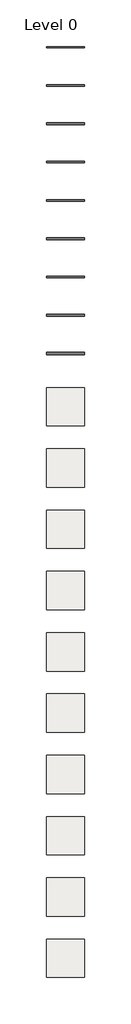
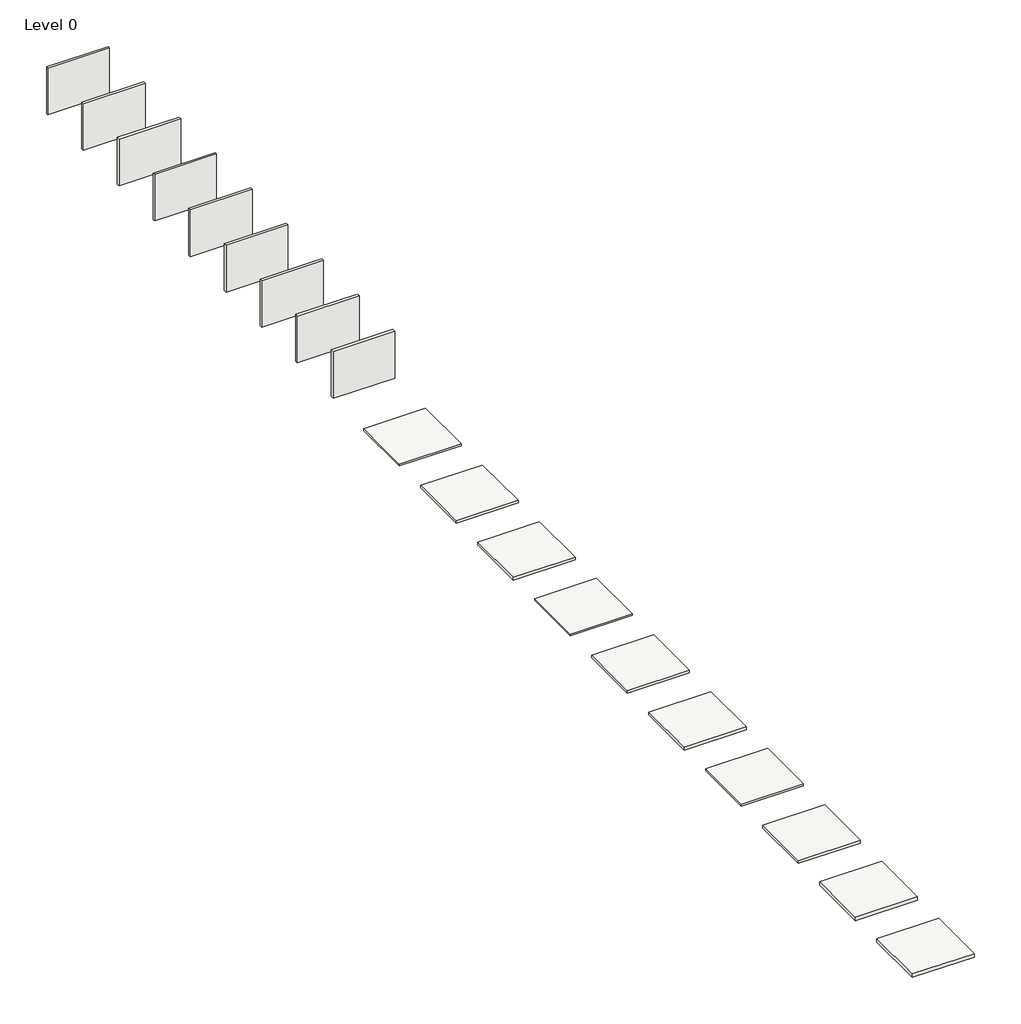
# One storey: 19 coverings.
"""IFC4 building model written with IfcOpenShell, lengths in millimetres."""

from ifc_helpers import new_model, si_unit, frame, origin, origin_with_axes, place, context, project, spatial, polyline, outline, extrude, element, save

model = new_model("IFC4")

# Units and contexts
model_context = context("Model", 3, world=origin())
ifc_project = project(units=[si_unit("LENGTHUNIT", "METRE", prefix="MILLI")], contexts=[model_context])

# Site, building, storey
site = spatial("IfcSite", under=ifc_project)
building = spatial("IfcBuilding", under=site)
storey = spatial("IfcBuildingStorey", under=building, Name="Level 0", Elevation=0.0)

# Coverings
placement = place(None, origin())
element("IfcCovering", 1, at=placement, inside=storey, context=model_context, shape_type="SweptSolid", body=[
    extrude(outline(polyline([(-976.0, -1486.5), (1524.0, -1486.5), (1524.0, -1561.5), (-976.0, -1561.5), (-976.0, -1486.5)])), origin_with_axes(), (0.0, 0.0, 1.0), 2000.0),
])
element("IfcCovering", 2, at=placement, inside=storey, context=model_context, shape_type="SweptSolid", body=[
    extrude(outline(polyline([(-976.0, -3974.0), (1524.0, -3974.0), (1524.0, -4074.0), (-976.0, -4074.0), (-976.0, -3974.0)])), origin_with_axes(), (0.0, 0.0, 1.0), 2000.0),
])
element("IfcCovering", 3, at=placement, inside=storey, context=model_context, shape_type="SweptSolid", body=[
    extrude(outline(polyline([(-976.0, -6464.0), (1524.0, -6464.0), (1524.0, -6584.0), (-976.0, -6584.0), (-976.0, -6464.0)])), origin_with_axes(), (0.0, 0.0, 1.0), 2000.0),
])
element("IfcCovering", 4, at=placement, inside=storey, context=model_context, shape_type="SweptSolid", body=[
    extrude(outline(polyline([(-976.0, -8986.5), (1524.0, -8986.5), (1524.0, -9061.5), (-976.0, -9061.5), (-976.0, -8986.5)])), origin_with_axes(), (0.0, 0.0, 1.0), 2000.0),
])
element("IfcCovering", 5, at=placement, inside=storey, context=model_context, shape_type="SweptSolid", body=[
    extrude(outline(polyline([(-976.0, -11474.0), (1524.0, -11474.0), (1524.0, -11574.0), (-976.0, -11574.0), (-976.0, -11474.0)])), origin_with_axes(), (0.0, 0.0, 1.0), 2000.0),
])
element("IfcCovering", 6, at=placement, inside=storey, context=model_context, shape_type="SweptSolid", body=[
    extrude(outline(polyline([(-976.0, -13964.0), (1524.0, -13964.0), (1524.0, -14084.0), (-976.0, -14084.0), (-976.0, -13964.0)])), origin_with_axes(), (0.0, 0.0, 1.0), 2000.0),
])
element("IfcCovering", 7, at=placement, inside=storey, context=model_context, shape_type="SweptSolid", body=[
    extrude(outline(polyline([(-976.0, -16479.0), (1524.0, -16479.0), (1524.0, -16569.0), (-976.0, -16569.0), (-976.0, -16479.0)])), origin_with_axes(), (0.0, 0.0, 1.0), 2000.0),
])
element("IfcCovering", 8, at=placement, inside=storey, context=model_context, shape_type="SweptSolid", body=[
    extrude(outline(polyline([(-976.0, -18964.0), (1524.0, -18964.0), (1524.0, -19084.0), (-976.0, -19084.0), (-976.0, -18964.0)])), origin_with_axes(), (0.0, 0.0, 1.0), 2000.0),
])
element("IfcCovering", 9, at=placement, inside=storey, context=model_context, shape_type="SweptSolid", body=[
    extrude(outline(polyline([(-976.0, -21449.0), (1524.0, -21449.0), (1524.0, -21599.0), (-976.0, -21599.0), (-976.0, -21449.0)])), origin_with_axes(), (0.0, 0.0, 1.0), 2000.0),
])
element("IfcCovering", 10, at=placement, inside=storey, context=model_context, shape_type="SweptSolid", body=[
    extrude(outline(polyline([(-976.0, -26242.6978699), (-976.0, -23742.6978699), (1524.0, -23742.6978699), (1524.0, -26242.6978699), (-976.0, -26242.6978699)])), frame((0.0, 0.0, -75.0), z_axis=(0.0, 0.0, 1.0), x_axis=(1.0, 0.0, 0.0)), (0.0, 0.0, 1.0), 75.0),
])
element("IfcCovering", 11, at=placement, inside=storey, context=model_context, shape_type="SweptSolid", body=[
    extrude(outline(polyline([(-976.0, -30242.6978699), (-976.0, -27742.6978699), (1524.0, -27742.6978699), (1524.0, -30242.6978699), (-976.0, -30242.6978699)])), frame((0.0, 0.0, -100.0), z_axis=(0.0, 0.0, 1.0), x_axis=(1.0, 0.0, 0.0)), (0.0, 0.0, 1.0), 100.0),
])
element("IfcCovering", 12, at=placement, inside=storey, context=model_context, shape_type="SweptSolid", body=[
    extrude(outline(polyline([(-976.0, -34242.6978699), (-976.0, -31742.6978699), (1524.0, -31742.6978699), (1524.0, -34242.6978699), (-976.0, -34242.6978699)])), frame((0.0, 0.0, -120.0), z_axis=(0.0, 0.0, 1.0), x_axis=(1.0, 0.0, 0.0)), (0.0, 0.0, 1.0), 120.0),
])
element("IfcCovering", 13, at=placement, inside=storey, context=model_context, shape_type="SweptSolid", body=[
    extrude(outline(polyline([(-976.0, -38242.6978699), (-976.0, -35742.6978699), (1524.0, -35742.6978699), (1524.0, -38242.6978699), (-976.0, -38242.6978699)])), frame((0.0, 0.0, -75.0), z_axis=(0.0, 0.0, 1.0), x_axis=(1.0, 0.0, 0.0)), (0.0, 0.0, 1.0), 75.0),
])
element("IfcCovering", 14, at=placement, inside=storey, context=model_context, shape_type="SweptSolid", body=[
    extrude(outline(polyline([(-976.0, -42242.6978699), (-976.0, -39742.6978699), (1524.0, -39742.6978699), (1524.0, -42242.6978699), (-976.0, -42242.6978699)])), frame((0.0, 0.0, -100.0), z_axis=(0.0, 0.0, 1.0), x_axis=(1.0, 0.0, 0.0)), (0.0, 0.0, 1.0), 100.0),
])
element("IfcCovering", 15, at=placement, inside=storey, context=model_context, shape_type="SweptSolid", body=[
    extrude(outline(polyline([(-976.0, -46242.6978699), (-976.0, -43742.6978699), (1524.0, -43742.6978699), (1524.0, -46242.6978699), (-976.0, -46242.6978699)])), frame((0.0, 0.0, -120.0), z_axis=(0.0, 0.0, 1.0), x_axis=(1.0, 0.0, 0.0)), (0.0, 0.0, 1.0), 120.0),
])
element("IfcCovering", 16, at=placement, inside=storey, context=model_context, shape_type="SweptSolid", body=[
    extrude(outline(polyline([(-976.0, -50242.6978699), (-976.0, -47742.6978699), (1524.0, -47742.6978699), (1524.0, -50242.6978699), (-976.0, -50242.6978699)])), frame((0.0, 0.0, -90.0), z_axis=(0.0, 0.0, 1.0), x_axis=(1.0, 0.0, 0.0)), (0.0, 0.0, 1.0), 90.0),
])
element("IfcCovering", 17, at=placement, inside=storey, context=model_context, shape_type="SweptSolid", body=[
    extrude(outline(polyline([(-976.0, -54242.6978699), (-976.0, -51742.6978699), (1524.0, -51742.6978699), (1524.0, -54242.6978699), (-976.0, -54242.6978699)])), frame((0.0, 0.0, -120.0), z_axis=(0.0, 0.0, 1.0), x_axis=(1.0, 0.0, 0.0)), (0.0, 0.0, 1.0), 120.0),
])
element("IfcCovering", 18, at=placement, inside=storey, context=model_context, shape_type="SweptSolid", body=[
    extrude(outline(polyline([(-976.0, -58242.6978699), (-976.0, -55742.6978699), (1524.0, -55742.6978699), (1524.0, -58242.6978699), (-976.0, -58242.6978699)])), frame((0.0, 0.0, -150.0), z_axis=(0.0, 0.0, 1.0), x_axis=(1.0, 0.0, 0.0)), (0.0, 0.0, 1.0), 150.0),
])
element("IfcCovering", 19, at=placement, inside=storey, context=model_context, shape_type="SweptSolid", body=[
    extrude(outline(polyline([(-976.0, -62242.6978699), (-976.0, -59742.6978699), (1524.0, -59742.6978699), (1524.0, -62242.6978699), (-976.0, -62242.6978699)])), frame((0.0, 0.0, -150.0), z_axis=(0.0, 0.0, 1.0), x_axis=(1.0, 0.0, 0.0)), (0.0, 0.0, 1.0), 150.0),
])

save(model, "model.ifc")
